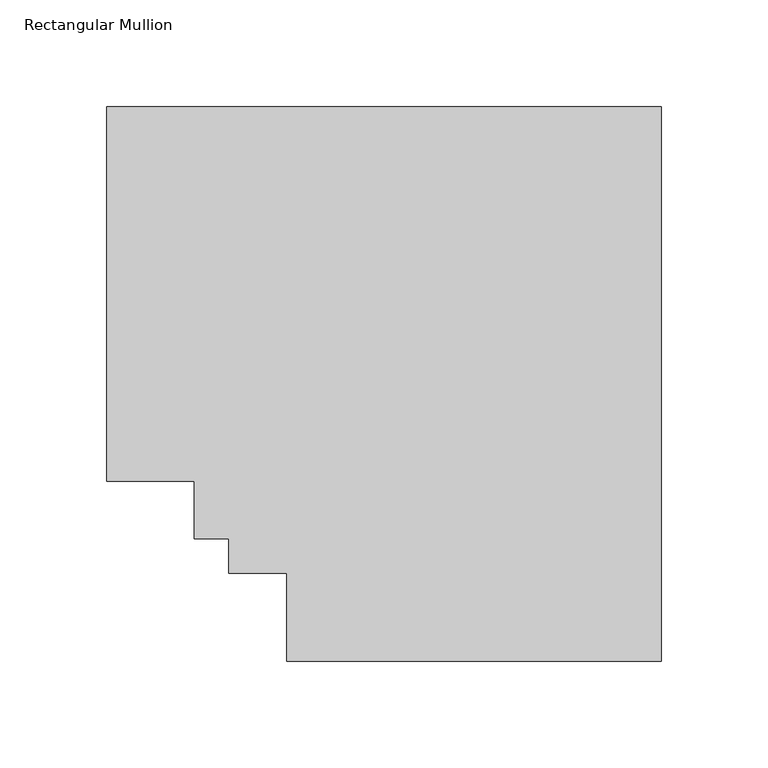
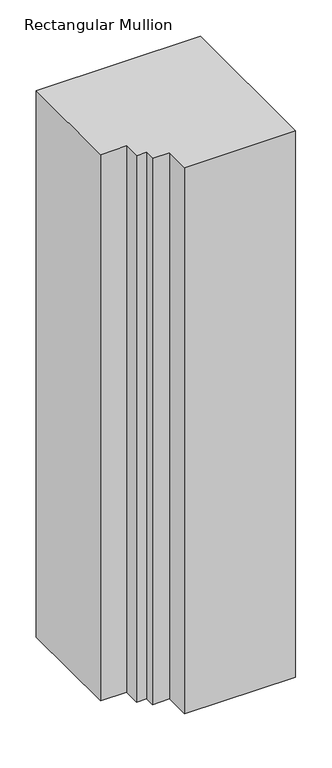
"""IFC4 building model written with IfcOpenShell, lengths in millimetres: member geometry, Rectangular Mullion."""

from ifc_helpers import new_model, si_unit, frame, origin, place, context, project, spatial, polyline, outline, extrude, source, transform, mapped, element, save


def rectangular_mullion_6b08f316(model_context):
    return source(origin(), model_context, "Body", "SweptSolid", [
        extrude(outline(polyline([(-260.3187084, 222.5381312), (0.0, 222.5381312), (0.0, -37.7805771), (-175.7934011, -37.7805771), (-175.7934011, 3.4944228), (-202.9714011, 3.4944228), (-202.9714011, 19.5667302), (-219.0437084, 19.5667302), (-219.0437084, 46.7447302), (-260.3187084, 46.7447302), (-260.3187084, 222.5381312)])), frame((0.0, 0.0, -914.4), z_axis=(0.0, 0.0, 1.0), x_axis=(1.0, 0.0, 0.0)), (0.0, 0.0, 1.0), 914.4),
    ])


if __name__ == "__main__":
    model = new_model("IFC4")
    model_context = context("Model", 3, world=origin())
    ifc_project = project(units=[si_unit("LENGTHUNIT", "METRE", prefix="MILLI")], contexts=[model_context])
    site = spatial("IfcSite", under=ifc_project)
    building = spatial("IfcBuilding", under=site)
    placement = place(None, origin())
    rectangular_mullion_shape = rectangular_mullion_6b08f316(model_context)
    element("IfcMember", 1, ObjectType="Rectangular Mullion", at=placement, inside=building, context=model_context, shape_type="MappedRepresentation", body=[
        mapped(rectangular_mullion_shape, transform((0.0, 0.0, 0.0), x_axis=(1.0, 0.0, 0.0), y_axis=(0.0, 1.0, 0.0), z_axis=(0.0, 0.0, 1.0))),
    ])
    save(model, "model.ifc")
